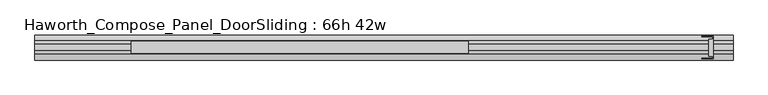
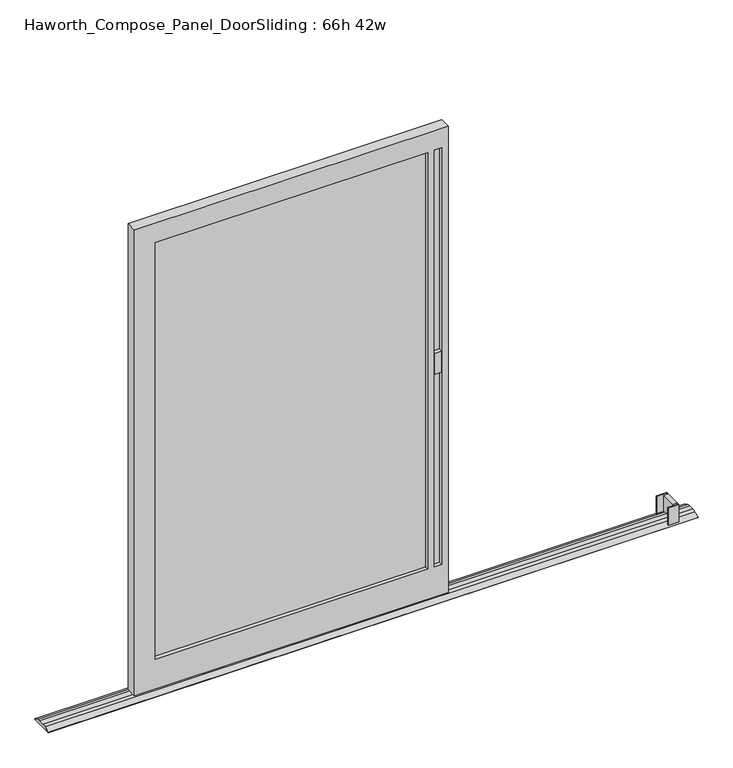
"""IFC4 building model written with IfcOpenShell, lengths in millimetres: furniture geometry, Haworth_Compose_Panel_DoorSliding : 66h 42w."""

from ifc_helpers import new_model, si_unit, frame, origin, place, context, project, spatial, polyline, circle_curve, outline, extrude, faceted_brep, source, transform, mapped, element, save
from ifc_brep_helpers import plane_surface, cylinder_surface, advanced_brep


def haworth_compose_panel_doorsliding_66h_42w_d8d8924b(model_context):
    return source(origin(), model_context, "Body", "SolidModel", [
        extrude(outline(polyline([(546.3884771, -10.8677216), (-380.7115229, -10.8677216), (-380.7115229, 1.8322784), (546.3884771, 1.8322784), (546.3884771, -10.8677216)])), frame((0.0, 0.0, 120.65), z_axis=(0.0, 0.0, 1.0), x_axis=(1.0, 0.0, 0.0)), (0.0, 0.0, 1.0), 1498.6),
        faceted_brep([(616.2384771, 14.5322784, 1689.1), (616.2384771, 14.5322784, 12.7), (-450.5615229, 14.5322784, 12.7), (-450.5615229, 14.5322784, 1689.1), (546.3884771, 14.5322784, 1619.25), (-380.7115229, 14.5322784, 1619.25), (-380.7115229, 14.5322784, 120.65), (546.3884771, 14.5322784, 120.65), (594.0134771, 14.5322784, 1619.25), (568.6134771, 14.5322784, 1619.25), (568.6134771, 14.5322784, 120.65), (594.0134771, 14.5322784, 120.65), (-450.5615229, -23.5677216, 1689.1), (616.2384771, -23.5677216, 1689.1), (616.2384771, -23.5677216, 12.7), (-450.5615229, -23.5677216, 12.7), (546.3884771, -23.5677216, 120.65), (546.3884771, -23.5677216, 1619.25), (-380.7115229, -23.5677216, 120.65), (-380.7115229, -23.5677216, 1619.25), (594.0134771, -23.5677216, 1619.25), (594.0134771, -23.5677216, 120.65), (568.6134771, -23.5677216, 120.65), (568.6134771, -23.5677216, 1619.25), (594.0134771, 1.8322784, 120.65), (594.0134771, 1.8322784, 1619.25), (594.0134771, -10.8677216, 1619.25), (594.0134771, -10.8677216, 120.65), (568.6134771, 1.8322784, 120.65), (568.6134771, -10.8677216, 120.65), (568.6134771, 1.8322784, 1619.25), (568.6134771, -10.8677216, 1619.25)], [[[0, 1, 2, 3], [4, 5, 6, 7], [8, 9, 10, 11]], [[12, 13, 0, 3]], [[14, 15, 2, 1]], [[13, 14, 1, 0]], [[16, 17, 4, 7]], [[18, 16, 7, 6]], [[19, 18, 6, 5]], [[17, 19, 5, 4]], [[13, 12, 15, 14], [17, 16, 18, 19], [20, 21, 22, 23]], [[15, 12, 3, 2]], [[8, 11, 24, 25]], [[21, 20, 26, 27]], [[11, 10, 28, 24]], [[22, 21, 27, 29]], [[10, 9, 30, 28]], [[23, 22, 29, 31]], [[9, 8, 25, 30]], [[20, 23, 31, 26]], [[27, 26, 31, 29]], [[25, 24, 28, 30]]]),
        extrude(outline(polyline([(594.0134771, 1.8322784), (568.6134771, 1.8322784), (568.6134771, 14.5322784), (594.0134771, 14.5322784), (594.0134771, 1.8322784)])), frame((0.0, 0.0, 812.8), z_axis=(0.0, 0.0, 1.0), x_axis=(1.0, 0.0, 0.0)), (0.0, 0.0, 1.0), 76.2),
        extrude(outline(polyline([(568.6134771, -10.8677216), (594.0134771, -10.8677216), (594.0134771, -23.5677216), (568.6134771, -23.5677216), (568.6134771, -10.8677216)])), frame((0.0, 0.0, 812.8), z_axis=(0.0, 0.0, 1.0), x_axis=(1.0, 0.0, 0.0)), (0.0, 0.0, 1.0), 76.2),
        extrude(outline(polyline([(1390.9384771, 30.4072784), (1390.9384771, -39.4427216), (1356.0134771, -39.4427216), (1356.0134771, -37.8552216), (1389.3509771, -37.8552216), (1389.3509771, -31.5052216), (1376.6509771, -31.5052216), (1376.6509771, 22.4697784), (1389.3509771, 22.4697784), (1389.3509771, 28.8197784), (1356.0134771, 28.8197784), (1356.0134771, 30.4072784), (1390.9384771, 30.4072784)])), frame((0.0, 0.0, 1.5875), z_axis=(0.0, 0.0, 1.0), x_axis=(1.0, 0.0, 0.0)), (0.0, 0.0, 1.0), 65.7225),
        advanced_brep(
        [(-755.3615229, 35.1431511, 0.0), (-755.3615229, -44.1785944, 0.0), (-755.3615229, -44.1785944, 1.5875), (-755.3615229, -25.8161303, 10.1662427), (-755.3615229, -14.4066305, 12.7), (-755.3615229, 5.3711872, 12.7), (-755.3615229, 16.7630089, 10.1744939), (-755.3615229, 35.1431511, 1.6084654), (1454.4384771, 35.1431511, 0.0), (1454.4384771, 35.1431511, 1.6084654), (1454.4384771, 16.7648369, 10.178414), (1454.4384771, 5.3711872, 12.7), (1454.4384771, -14.4066305, 12.7), (1454.4384771, -25.8161303, 10.1662427), (1454.4384771, -44.1785944, 1.5875), (1454.4384771, -44.1785944, 0.0)],
        [
            (0, 1),
            (1, 2),
            (2, 3),
            (3, 4, circle_curve(frame((-755.3615229, -14.4066305, -14.2553465), z_axis=(-1.0, 0.0, 0.0), x_axis=(0.0, 0.0, 1.0)), 26.9553465)),
            (4, 5),
            (5, 6, circle_curve(frame((-755.3615229, 5.3711872, -14.2553465), z_axis=(-1.0, 0.0, 0.0), x_axis=(0.0, 0.0, 1.0)), 26.9553465)),
            (6, 7),
            (7, 0),
            (8, 9),
            (9, 10),
            (10, 11, circle_curve(frame((1454.4384771, 5.3711872, -14.2553465), z_axis=(1.0, 0.0, 0.0), x_axis=(0.0, 0.0, 1.0)), 26.9553465)),
            (11, 12),
            (12, 13, circle_curve(frame((1454.4384771, -14.4066305, -14.2553465), z_axis=(1.0, 0.0, 0.0), x_axis=(0.0, 0.0, 1.0)), 26.9553465)),
            (13, 14),
            (14, 15),
            (15, 8),
            (0, 8),
            (15, 1),
            (14, 2),
            (7, 9),
            (13, 3),
            (12, 4),
            (11, 5),
            (10, 6),
        ],
        [
            plane_surface(frame((-755.3615229, -4.5177216, 0.0), z_axis=(-1.0, 0.0, 0.0), x_axis=(0.0, -1.0, 0.0))),
            plane_surface(frame((1454.4384771, -4.5177216, 0.0), z_axis=(1.0, 0.0, 0.0), x_axis=(0.0, -1.0, 0.0))),
            plane_surface(frame((-755.3615229, 35.1431511, 0.0), z_axis=(0.0, 0.0, -1.0), x_axis=(1.0, 0.0, 0.0))),
            plane_surface(frame((-755.3615229, -44.1785944, 0.0), z_axis=(0.0, -1.0, 0.0), x_axis=(1.0, 0.0, 0.0))),
            plane_surface(frame((-755.3615229, 35.1431511, 1.6084654), z_axis=(0.0, 1.0, 0.0), x_axis=(1.0, 0.0, 0.0))),
            plane_surface(frame((-755.3615229, -44.1785944, 1.5875), z_axis=(0.0, -0.4232740908698282, 0.9060016799092155), x_axis=(1.0, 0.0, 0.0))),
            cylinder_surface(frame((-755.3615229, -14.4066305, -14.2553465), z_axis=(-1.0, 0.0, 0.0), x_axis=(0.0, 0.0, 1.0)), 26.9553465),
            plane_surface(frame((-755.3615229, -14.4066305, 12.7), z_axis=(0.0, 0.0, 1.0), x_axis=(1.0, 0.0, 0.0))),
            cylinder_surface(frame((-755.3615229, 5.3711872, -14.2553465), z_axis=(-1.0, 0.0, 0.0), x_axis=(0.0, 0.0, 1.0)), 26.9553465),
            plane_surface(frame((-755.3615229, 16.7648369, 10.178414), z_axis=(0.0, 0.42261826174076217, 0.9063077870366208), x_axis=(1.0, 0.0, 0.0))),
        ],
        [
            (0, [[1, 2, 3, 4, 5, 6, 7, 8]]),
            (1, [[9, 10, 11, 12, 13, 14, 15, 16]]),
            (2, [[-1, 17, -16, 18]]),
            (3, [[-2, -18, -15, 19]]),
            (4, [[-8, 20, -9, -17]]),
            (5, [[-3, -19, -14, 21]]),
            (6, [[-4, -21, -13, 22]]),
            (7, [[-5, -22, -12, 23]]),
            (8, [[-6, -23, -11, 24]]),
            (9, [[-7, -24, -10, -20]]),
        ],
    ),
    ])


if __name__ == "__main__":
    model = new_model("IFC4")
    model_context = context("Model", 3, world=origin())
    ifc_project = project(units=[si_unit("LENGTHUNIT", "METRE", prefix="MILLI")], contexts=[model_context])
    site = spatial("IfcSite", under=ifc_project)
    building = spatial("IfcBuilding", under=site)
    placement = place(None, origin())
    haworth_compose_panel_doorsliding_66h_42w_shape = haworth_compose_panel_doorsliding_66h_42w_d8d8924b(model_context)
    element("IfcFurniture", 1, ObjectType="Haworth_Compose_Panel_DoorSliding : 66h 42w", at=placement, inside=building, context=model_context, shape_type="MappedRepresentation", body=[
        mapped(haworth_compose_panel_doorsliding_66h_42w_shape, transform((0.0, 0.0, 0.0), x_axis=(1.0, 0.0, 0.0), y_axis=(0.0, 1.0, 0.0), z_axis=(0.0, 0.0, 1.0))),
    ])
    save(model, "model.ifc")
